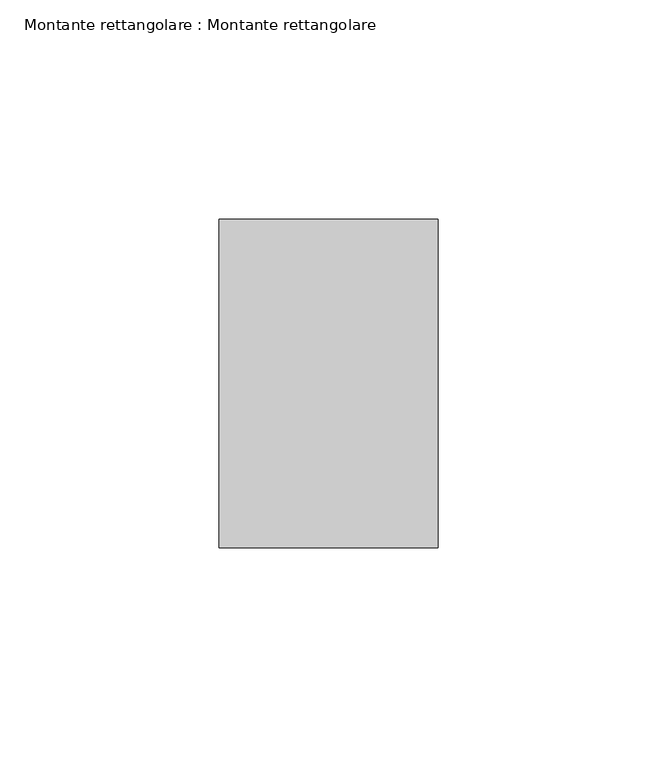
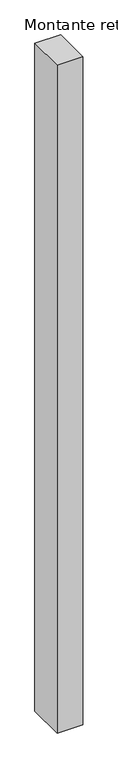
"""IFC4 building model written with IfcOpenShell, lengths in millimetres: member geometry, Montante rettangolare : Montante rettangolare."""

from ifc_helpers import new_model, si_unit, frame, origin, place, context, project, spatial, polyline, outline, extrude, source, transform, mapped, element, save


def montante_rettangolare_montante_rettangolare_4fc1186f(model_context):
    return source(origin(), model_context, "Body", "SweptSolid", [
        extrude(outline(polyline([(0.0, 37.5), (0.0, -37.5), (-50.0, -37.5), (-50.0, 37.5), (0.0, 37.5)])), frame((0.0, 0.0, -1375.0), z_axis=(0.0, 0.0, 1.0), x_axis=(1.0, 0.0, 0.0)), (0.0, 0.0, 1.0), 1375.0),
    ])


if __name__ == "__main__":
    model = new_model("IFC4")
    model_context = context("Model", 3, world=origin())
    ifc_project = project(units=[si_unit("LENGTHUNIT", "METRE", prefix="MILLI")], contexts=[model_context])
    site = spatial("IfcSite", under=ifc_project)
    building = spatial("IfcBuilding", under=site)
    placement = place(None, origin())
    montante_rettangolare_montante_rettangolare_shape = montante_rettangolare_montante_rettangolare_4fc1186f(model_context)
    element("IfcMember", 1, ObjectType="Montante rettangolare : Montante rettangolare", at=placement, inside=building, context=model_context, shape_type="MappedRepresentation", body=[
        mapped(montante_rettangolare_montante_rettangolare_shape, transform((0.0, 0.0, 0.0), x_axis=(1.0, 0.0, 0.0), y_axis=(0.0, 1.0, 0.0), z_axis=(0.0, 0.0, 1.0))),
    ])
    save(model, "model.ifc")
